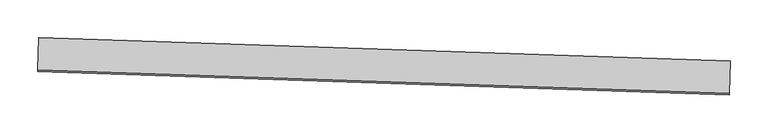
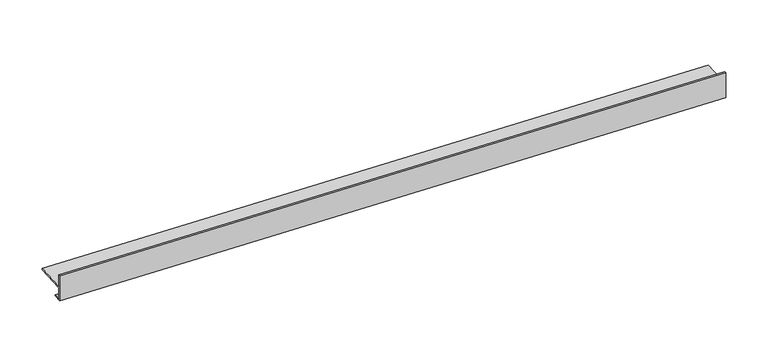
"""IFC4 building model written with IfcOpenShell, lengths in millimetres: proxy geometry."""

import ifcopenshell
import ifcopenshell.guid

model = None  # the IFC model being written
_history = None  # IfcOwnerHistory: only IFC2X3 demands one
_inside = {}  # id of a spatial element -> (the spatial element, [elements in it])
_under = {}  # id of a project, library or spatial element -> (it, [spatial elements below it])
_declared = {}  # id of a project -> (the project, [libraries it declares])
_typed = {}  # id of a type object -> (the type object, [elements of that type])
_made_of = {}  # id of a material, layer set ... -> (it, [elements and type objects made of it])


def new_model(schema):
    """Start an empty IFC model of exactly this schema.

    Asked for "IFC4X3", IfcOpenShell would pick the latest addendum, in which some entities
    have other attributes; the version numbers below select the first issue.
    IFC2X3 requires an IfcOwnerHistory on every rooted entity: one is made here for all.
    """
    global model, _history
    if schema == "IFC4X3":
        model = ifcopenshell.file(schema_version=(4, 3, 0, 0))
    else:
        model = ifcopenshell.file(schema=schema)
    _inside.clear()
    _under.clear()
    _declared.clear()
    _typed.clear()
    _made_of.clear()
    _history = None
    if model.schema == "IFC2X3":
        org = make("IfcOrganization", Name="unknown")
        user = make(
            "IfcPersonAndOrganization",
            ThePerson=make("IfcPerson", FamilyName="unknown"),
            TheOrganization=org,
        )
        app = make(
            "IfcApplication",
            ApplicationDeveloper=org,
            Version="unknown",
            ApplicationFullName="unknown",
            ApplicationIdentifier="unknown",
        )
        _history = make(
            "IfcOwnerHistory",
            OwningUser=user,
            OwningApplication=app,
            ChangeAction="ADDED",
            CreationDate=0,
        )
    return model


def make(cls, **values):
    """One entity of the class cls with the attributes given. An attribute that is None is left unset."""
    return model.create_entity(
        cls, **{name: value for name, value in values.items() if value is not None}
    )


def rooted(cls, **values):
    """An entity with a GlobalId (a new one), such as an element, a storey or a relation."""
    return make(cls, GlobalId=ifcopenshell.guid.new(), OwnerHistory=_history, **values)


def si_unit(unit_type, name, prefix=None):
    """IfcSIUnit, for example si_unit("LENGTHUNIT", "METRE", prefix="MILLI")."""
    return make("IfcSIUnit", UnitType=unit_type, Prefix=prefix, Name=name)


def assignment(units):
    """IfcUnitAssignment: the units of a project."""
    return None if units is None else make("IfcUnitAssignment", Units=units)


def point(xyz):
    """IfcCartesianPoint."""
    return None if xyz is None else make("IfcCartesianPoint", Coordinates=xyz)


def direction(xyz):
    """IfcDirection."""
    return None if xyz is None else make("IfcDirection", DirectionRatios=xyz)


def frame(location, z_axis=None, x_axis=None):
    """IfcAxis2Placement3D, a coordinate frame: its origin and axes. An axis left out is left unset."""
    return make(
        "IfcAxis2Placement3D",
        Location=point(location),
        Axis=direction(z_axis),
        RefDirection=direction(x_axis),
    )


def origin():
    """The frame at (0, 0, 0) with its axes left unset."""
    return frame((0.0, 0.0, 0.0))


def place(relative_to, where):
    """IfcLocalPlacement: puts the frame where relative to a parent placement (None: the world)."""
    return make(
        "IfcLocalPlacement", PlacementRelTo=relative_to, RelativePlacement=where
    )


def context(
    kind, dimensions, precision=None, world=None, true_north=None, identifier=None
):
    """IfcGeometricRepresentationContext, for example the 3D "Model" context."""
    return make(
        "IfcGeometricRepresentationContext",
        ContextIdentifier=identifier,
        ContextType=kind,
        CoordinateSpaceDimension=dimensions,
        Precision=precision,
        WorldCoordinateSystem=world,
        TrueNorth=true_north,
    )


def project(units=None, contexts=None):
    """IfcProject with its units and contexts."""
    return rooted(
        "IfcProject",
        Name="project",
        RepresentationContexts=contexts,
        UnitsInContext=assignment(units),
    )


def spatial(cls, under=None, at=None, **own):
    """A site, building, storey or space (cls), placed at a placement, below another one or the project."""
    s = rooted(cls, ObjectPlacement=at, **own)
    if under is not None:
        _under.setdefault(under.id(), (under, []))[1].append(s)
    return s


def polyline(points):
    """IfcPolyline through the points."""
    return make("IfcPolyline", Points=[point(p) for p in points])


def outline(outer, holes=None, kind="AREA"):
    """IfcArbitraryClosedProfileDef: a profile drawn as a closed curve; with holes, ...WithVoids."""
    if holes is None:
        return make("IfcArbitraryClosedProfileDef", ProfileType=kind, OuterCurve=outer)
    return make(
        "IfcArbitraryProfileDefWithVoids",
        ProfileType=kind,
        OuterCurve=outer,
        InnerCurves=holes,
    )


def extrude(swept, where, along, depth):
    """IfcExtrudedAreaSolid: the profile swept, set in the frame where, extruded along a direction by depth."""
    return make(
        "IfcExtrudedAreaSolid",
        SweptArea=swept,
        Position=where,
        ExtrudedDirection=direction(along),
        Depth=depth,
    )


def shape(context_of_items, identifier, shape_type, items):
    """IfcShapeRepresentation: the items that make up one representation, for example the "Body"."""
    return make(
        "IfcShapeRepresentation",
        ContextOfItems=context_of_items,
        RepresentationIdentifier=identifier,
        RepresentationType=shape_type,
        Items=items,
    )


def source(mapping_origin, context_of_items, identifier, shape_type, items):
    """IfcRepresentationMap: a shape defined once, which mapped items show again and again."""
    return make(
        "IfcRepresentationMap",
        MappingOrigin=mapping_origin,
        MappedRepresentation=shape(context_of_items, identifier, shape_type, items),
    )


def transform(
    local_origin,
    x_axis=None,
    y_axis=None,
    z_axis=None,
    scale=None,
    scale2=None,
    scale3=None,
    uniform=True,
):
    """IfcCartesianTransformationOperator3D, or its non-uniform kind. x_axis, y_axis, z_axis: its Axis1, 2, 3."""
    if uniform:
        return make(
            "IfcCartesianTransformationOperator3D",
            Axis1=direction(x_axis),
            Axis2=direction(y_axis),
            LocalOrigin=point(local_origin),
            Scale=scale,
            Axis3=direction(z_axis),
        )
    return make(
        "IfcCartesianTransformationOperator3DnonUniform",
        Axis1=direction(x_axis),
        Axis2=direction(y_axis),
        LocalOrigin=point(local_origin),
        Scale=scale,
        Axis3=direction(z_axis),
        Scale2=scale2,
        Scale3=scale3,
    )


def mapped(mapping_source, mapping_target):
    """IfcMappedItem: shows the shape of a source again, moved by a transform."""
    return make(
        "IfcMappedItem", MappingSource=mapping_source, MappingTarget=mapping_target
    )


def made_of(thing, what):
    """Note that an element or type object is made of a material, layer set ...; save() writes the relation."""
    if what is not None:
        _made_of.setdefault(what.id(), (what, []))[1].append(thing)
    return thing


def element(
    cls,
    number,
    at=None,
    inside=None,
    cuts=None,
    type_object=None,
    material=None,
    context=None,
    identifier="Body",
    shape_type=None,
    held_by="IfcProductDefinitionShape",
    body=None,
    shapes=None,
    **own,
):
    """One element of the class cls, such as IfcWall. Its Tag is "e" and its number.

    at: its placement. inside: the storey or other place that contains it. cuts: it is an
    opening in that element (IfcRelVoidsElement). A single representation is given by context,
    identifier, shape_type and body (its items); several are given by shapes. held_by: the class
    of the entity that holds the representations. save() writes the other relations.
    """
    e = rooted(cls, Tag="e%d" % number, ObjectPlacement=at, **own)
    if body is not None:
        shapes = [shape(context, identifier, shape_type, body)]
    if shapes is not None:
        e.Representation = make(held_by, Representations=shapes)
    if inside is not None:
        _inside.setdefault(inside.id(), (inside, []))[1].append(e)
    if cuts is not None:
        rooted(
            "IfcRelVoidsElement", RelatingBuildingElement=cuts, RelatedOpeningElement=e
        )
    if type_object is not None:
        _typed.setdefault(type_object.id(), (type_object, []))[1].append(e)
    return made_of(e, material)


def aggregate(whole, parts):
    """IfcRelAggregates: a whole, such as a stair, and the parts it consists of."""
    return rooted("IfcRelAggregates", RelatingObject=whole, RelatedObjects=parts)


def save(model, path):
    """Write the relations noted so far, then the file.

    IfcRelAggregates (storeys below a building ...), IfcRelContainedInSpatialStructure (elements
    in a storey), IfcRelDefinesByType, IfcRelAssociatesMaterial and IfcRelDeclares: one each for
    every whole, place, type object, material and project.
    """
    for whole, parts in _under.values():
        aggregate(whole, parts)
    for where, things in _inside.values():
        rooted(
            "IfcRelContainedInSpatialStructure",
            RelatedElements=things,
            RelatingStructure=where,
        )
    for kind, things in _typed.values():
        rooted("IfcRelDefinesByType", RelatedObjects=things, RelatingType=kind)
    for what, things in _made_of.values():
        rooted("IfcRelAssociatesMaterial", RelatedObjects=things, RelatingMaterial=what)
    for by, libraries in _declared.values():
        rooted("IfcRelDeclares", RelatingContext=by, RelatedDefinitions=libraries)
    model.write(path)


def generic_models_aa204764(model_context):
    return source(origin(), model_context, "Body", "SweptSolid", [
        extrude(outline(polyline([(-9.5300033, 0.0), (0.0, 0.0), (0.0, 16.314845), (-42.6935091, 16.314845), (-42.6935091, 18.6021317), (0.0013728, 18.6021317), (0.0013728, 35.2794394), (2.2871275, 35.2794394), (2.2871275, -1.60112), (-9.5300033, -1.60112), (-9.5300033, 0.0)])), frame((34354.4601962, -15473.8411927, 2744.00737), z_axis=(-0.9994149479166324, 0.03420178183654809, 6.868016950857138e-10), x_axis=(-0.03420178183654809, -0.9994149479166324, 0.0)), (0.0, 0.0, 1.0), 914.4),
    ])


if __name__ == "__main__":
    model = new_model("IFC4")
    model_context = context("Model", 3, world=origin())
    ifc_project = project(units=[si_unit("LENGTHUNIT", "METRE", prefix="MILLI")], contexts=[model_context])
    site = spatial("IfcSite", under=ifc_project)
    building = spatial("IfcBuilding", under=site)
    placement = place(None, origin())
    generic_models_shape = generic_models_aa204764(model_context)
    element("IfcBuildingElementProxy", 1, Name="Generic Models", at=placement, inside=building, context=model_context, shape_type="MappedRepresentation", body=[
        mapped(generic_models_shape, transform((0.0, 0.0, 0.0), x_axis=(1.0, 0.0, 0.0), y_axis=(0.0, 1.0, 0.0), z_axis=(0.0, 0.0, 1.0))),
    ])
    save(model, "model.ifc")
